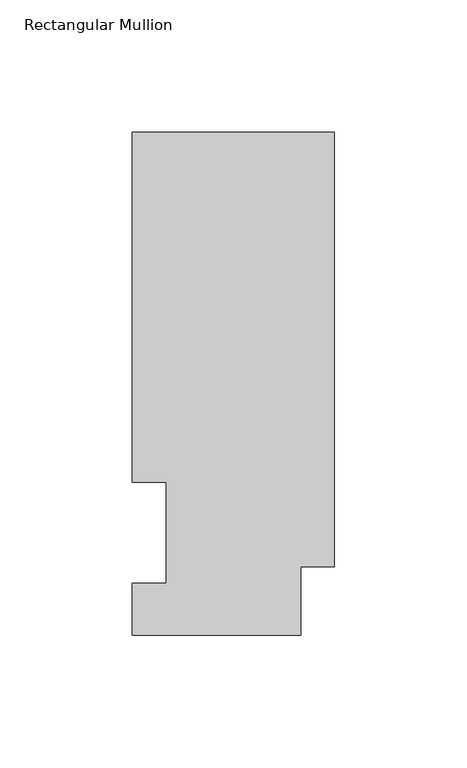
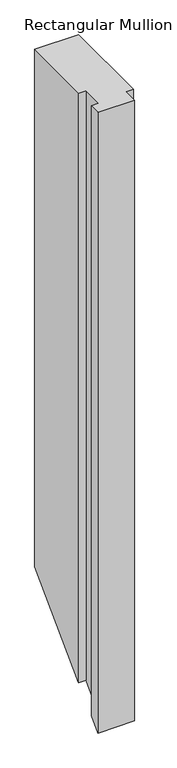
"""IFC4 building model written with IfcOpenShell, lengths in millimetres: member geometry, Rectangular Mullion."""

from ifc_helpers import new_model, si_unit, origin, place, context, project, spatial, faceted_brep, source, transform, mapped, element, save


def rectangular_mullion_53ef6e3c(model_context):
    return source(origin(), model_context, "Body", "Brep", [
        faceted_brep([(-76.2, 189.8022937, 0.0), (-76.2, 57.6460937, 0.0), (-63.5, 57.6460937, 0.0), (-63.5, 19.5460938, 0.0), (-76.2, 19.5460938, 0.0), (-76.2, 0.0134938, 0.0), (-12.7, 0.0134938, 0.0), (-12.7, 25.8955957, 0.0), (0.0, 25.8955957, 0.0), (0.0, 189.8022938, 0.0), (-76.2, 189.8022937, -946.933163), (-76.2, 57.6460937, -1079.089363), (-63.5, 57.6460937, -1079.089363), (-63.5, 19.5460938, -1117.189363), (-76.2, 19.5460938, -1117.189363), (-76.2, 0.0134938, -1136.721963), (-12.7, 0.0134938, -1136.721963), (-12.7, 25.8955957, -1110.839861), (0.0, 25.8955957, -1110.839861), (0.0, 189.8022938, -946.933163)], [[[0, 1, 2, 3, 4, 5, 6, 7, 8, 9]], [[1, 0, 10, 11]], [[2, 1, 11, 12]], [[3, 2, 12, 13]], [[4, 3, 13, 14]], [[5, 4, 14, 15]], [[6, 5, 15, 16]], [[7, 6, 16, 17]], [[8, 7, 17, 18]], [[9, 8, 18, 19]], [[0, 9, 19, 10]], [[10, 19, 18, 17, 16, 15, 14, 13, 12, 11]]]),
    ])


if __name__ == "__main__":
    model = new_model("IFC4")
    model_context = context("Model", 3, world=origin())
    ifc_project = project(units=[si_unit("LENGTHUNIT", "METRE", prefix="MILLI")], contexts=[model_context])
    site = spatial("IfcSite", under=ifc_project)
    building = spatial("IfcBuilding", under=site)
    placement = place(None, origin())
    rectangular_mullion_shape = rectangular_mullion_53ef6e3c(model_context)
    element("IfcMember", 1, ObjectType="Rectangular Mullion", at=placement, inside=building, context=model_context, shape_type="MappedRepresentation", body=[
        mapped(rectangular_mullion_shape, transform((0.0, 0.0, 0.0), x_axis=(1.0, 0.0, 0.0), y_axis=(0.0, 1.0, 0.0), z_axis=(0.0, 0.0, 1.0))),
    ])
    save(model, "model.ifc")
